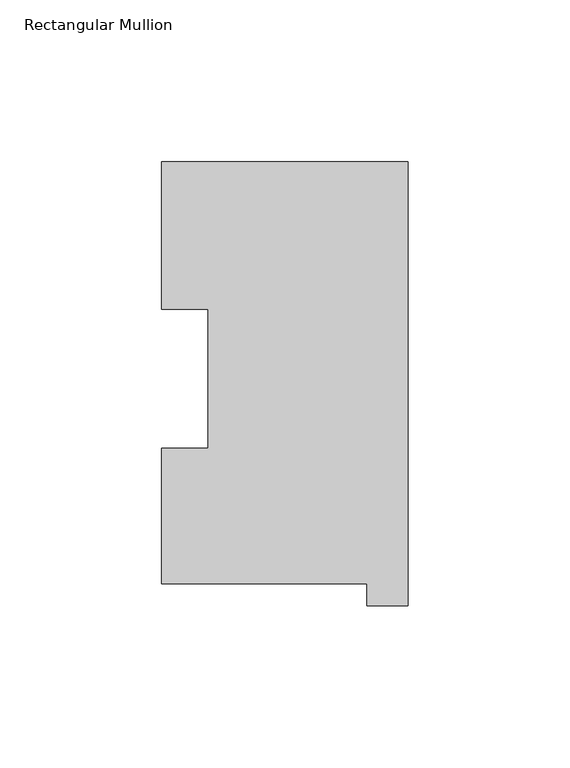
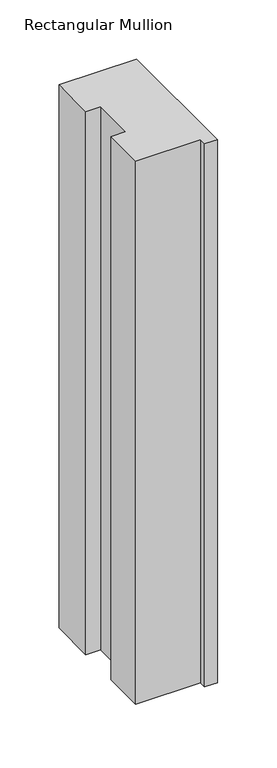
"""IFC4 building model written with IfcOpenShell, lengths in millimetres: member geometry, Rectangular Mullion."""

from ifc_helpers import new_model, si_unit, frame, origin, place, context, project, spatial, polyline, outline, extrude, source, transform, mapped, element, save


def rectangular_mullion_c8d6ab71(model_context):
    return source(origin(), model_context, "Body", "SweptSolid", [
        extrude(outline(polyline([(-76.2, 130.56235), (0.0, 130.56235), (0.0, -6.64845), (-12.7, -6.64845), (-12.7, 0.26035), (-76.2, 0.26035), (-76.2, 42.0485036), (-61.9101579, 42.0485036), (-61.9101579, 84.93125), (-76.2, 84.93125), (-76.2, 130.56235)])), frame((0.0, 0.0, -562.0684633), z_axis=(0.0, 0.0, 1.0), x_axis=(1.0, 0.0, 0.0)), (0.0, 0.0, 1.0), 562.0684633),
    ])


if __name__ == "__main__":
    model = new_model("IFC4")
    model_context = context("Model", 3, world=origin())
    ifc_project = project(units=[si_unit("LENGTHUNIT", "METRE", prefix="MILLI")], contexts=[model_context])
    site = spatial("IfcSite", under=ifc_project)
    building = spatial("IfcBuilding", under=site)
    placement = place(None, origin())
    rectangular_mullion_shape = rectangular_mullion_c8d6ab71(model_context)
    element("IfcMember", 1, ObjectType="Rectangular Mullion", at=placement, inside=building, context=model_context, shape_type="MappedRepresentation", body=[
        mapped(rectangular_mullion_shape, transform((0.0, 0.0, 0.0), x_axis=(1.0, 0.0, 0.0), y_axis=(0.0, 1.0, 0.0), z_axis=(0.0, 0.0, 1.0))),
    ])
    save(model, "model.ifc")
